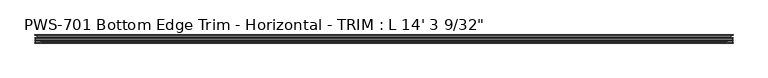
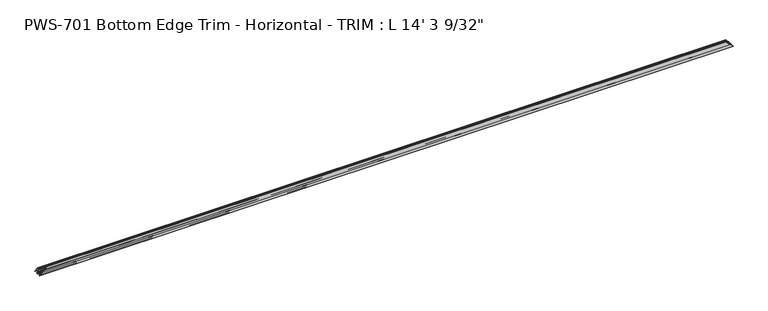
"""IFC4 building model written with IfcOpenShell, lengths in millimetres: proxy geometry."""

from ifc_helpers import new_model, si_unit, frame, origin, place, context, project, spatial, polyline, ellipse_curve, source, transform, mapped, element, save
from ifc_brep_helpers import plane_surface, cylinder_surface, revolved_surface, advanced_brep


def proxy_3ff2a4d9(model_context):
    return source(origin(), model_context, "Body", "AdvancedBrep", [
        advanced_brep(
        [(4333.08125, 15.875, 17.4625), (17.4625, 15.875, 17.4625), (15.875, 17.4625, 15.875), (4334.66875, 17.4625, 15.875), (6.35, 17.4625, 6.35), (4344.19375, 17.4625, 6.35), (4.7625, 15.875, 4.7625), (4345.78125, 15.875, 4.7625), (4.7625, 3.97002, 4.7625), (4345.78125, 3.97002, 4.7625), (6.35, 2.38252, 6.35), (4344.19375, 2.38252, 6.35), (19.05, 1.5875, 19.05), (4331.49375, 1.5875, 19.05), (41.275, 1.5875, 41.275), (4309.26875, 1.5875, 41.275), (42.8625, 3.175, 42.8625), (4307.68125, 3.175, 42.8625), (42.8625, 4.699, 42.8625), (4307.68125, 4.699, 42.8625), (40.0142401, 4.699, 40.0142401), (4310.5295099, 4.699, 40.0142401), (36.4914739, 8.6995, 36.4914739), (4314.0522761, 8.6995, 36.4914739), (40.0142401, 12.7, 40.0142401), (4310.5295099, 12.7, 40.0142401), (43.688, 12.7, 43.688), (4306.85575, 12.7, 43.688), (43.688, 10.3627194, 43.688), (4306.85575, 10.3627194, 43.688), (42.7502912, 10.2659469, 42.7502912), (4307.7934588, 10.2659469, 42.7502912), (42.7502912, 11.1125, 42.7502912), (4307.7934588, 11.1125, 42.7502912), (40.242076, 11.1125, 40.242076), (4310.301674, 11.1125, 40.242076), (38.1, 8.6995, 38.1), (4312.44375, 8.6995, 38.1), (40.242076, 6.2865, 40.242076), (4310.301674, 6.2865, 40.242076), (42.7502912, 6.2865, 42.7502912), (4307.7934588, 6.2865, 42.7502912), (42.7502912, 7.1755, 42.7502912), (4307.7934588, 7.1755, 42.7502912), (43.5416341, 7.1755, 43.5416341), (4307.0021159, 7.1755, 43.5416341), (44.45, 6.0569064, 44.45), (4306.09375, 6.0569064, 44.45), (44.45, 0.0, 44.45), (4306.09375, 0.0, 44.45), (0.0, 0.0, 0.0), (4350.54375, 0.0, 0.0), (0.0, 1.5875, 0.0), (4350.54375, 1.5875, 0.0), (1.5875, 1.5875, 1.5875), (4348.95625, 1.5875, 1.5875), (3.175, 3.175, 3.175), (4347.36875, 3.175, 3.175), (3.175, 15.875, 3.175), (4347.36875, 15.875, 3.175), (1.5875, 17.4625, 1.5875), (4348.95625, 17.4625, 1.5875), (0.0, 17.4625, 0.0), (4350.54375, 17.4625, 0.0), (0.0, 19.05, 0.0), (4350.54375, 19.05, 0.0), (1.5875, 19.05, 1.5875), (4348.95625, 19.05, 1.5875), (3.175, 20.6375, 3.175), (4347.36875, 20.6375, 3.175), (3.175, 30.1625, 3.175), (4347.36875, 30.1625, 3.175), (1.5875, 31.75, 1.5875), (4348.95625, 31.75, 1.5875), (0.0, 31.75, 0.0), (4350.54375, 31.75, 0.0), (0.0, 33.3375, 0.0), (4350.54375, 33.3375, 0.0), (12.7, 33.3375, 12.7), (4337.84375, 33.3375, 12.7), (14.2875, 34.925, 14.2875), (4336.25625, 34.925, 14.2875), (14.2875, 47.625, 14.2875), (4336.25625, 47.625, 14.2875), (12.7, 49.2125, 12.7), (4337.84375, 49.2125, 12.7), (0.0, 49.2125, 0.0), (4350.54375, 49.2125, 0.0), (0.0, 50.8, 0.0), (4350.54375, 50.8, 0.0), (17.907, 50.8, 17.907), (4332.63675, 50.8, 17.907), (17.907, 49.2125, 17.907), (4332.63675, 49.2125, 17.907), (15.875, 49.2125, 15.875), (4334.66875, 49.2125, 15.875), (15.875, 33.9725, 15.875), (4334.66875, 33.9725, 15.875), (17.4625, 33.9725, 17.4625), (4333.08125, 33.9725, 17.4625), (17.4625, 35.55873, 17.4625), (4333.08125, 35.55873, 17.4625), (18.25752, 36.35375, 18.25752), (4332.28623, 36.35375, 18.25752), (19.05, 36.35375, 19.05), (4331.49375, 36.35375, 19.05), (19.05, 31.75, 19.05), (4331.49375, 31.75, 19.05), (6.35, 31.75, 6.35), (4344.19375, 31.75, 6.35), (4.7625, 30.1625, 4.7625), (4345.78125, 30.1625, 4.7625), (4.7625, 20.6375, 4.7625), (4345.78125, 20.6375, 4.7625), (6.35, 19.05, 6.35), (4344.19375, 19.05, 6.35), (19.05, 19.05, 19.05), (4331.49375, 19.05, 19.05), (19.05, 15.875, 19.05), (4331.49375, 15.875, 19.05)],
        [
            (0, 1),
            (1, 2, ellipse_curve(frame((15.875, 15.875, 15.875), z_axis=(-0.707106781186547, 0.0, 0.7071067811865481), x_axis=(-0.7071067811865478, 0.0, -0.707106781186547)), 2.245064, 1.5875)),
            (2, 3),
            (3, 0, ellipse_curve(frame((4334.66875, 15.875, 15.875), z_axis=(0.7071067811865462, 0.0, 0.7071067811865489), x_axis=(-0.7071067811865487, 0.0, 0.7071067811865462)), 2.245064, 1.5875)),
            (2, 4),
            (4, 5),
            (5, 3),
            (4, 6, ellipse_curve(frame((6.35, 15.875, 6.35), z_axis=(-0.707106781186547, 0.0, 0.7071067811865481), x_axis=(-0.7071067811865478, 0.0, -0.707106781186547)), 2.245064, 1.5875)),
            (6, 7),
            (7, 5, ellipse_curve(frame((4344.19375, 15.875, 6.35), z_axis=(0.7071067811865462, 0.0, 0.7071067811865489), x_axis=(-0.7071067811865487, 0.0, 0.7071067811865462)), 2.245064, 1.5875)),
            (6, 8),
            (8, 9),
            (9, 7),
            (8, 10, ellipse_curve(frame((6.35, 3.97002, 6.35), z_axis=(-0.707106781186547, 0.0, 0.7071067811865481), x_axis=(-0.7071067811865478, 0.0, -0.707106781186547)), 2.245064, 1.5875)),
            (10, 11),
            (11, 9, ellipse_curve(frame((4344.19375, 3.97002, 6.35), z_axis=(0.7071067811865462, 0.0, 0.7071067811865489), x_axis=(-0.7071067811865487, 0.0, 0.7071067811865462)), 2.245064, 1.5875)),
            (10, 12),
            (12, 13),
            (13, 11),
            (12, 14),
            (14, 15),
            (15, 13),
            (14, 16, ellipse_curve(frame((41.275, 3.175, 41.275), z_axis=(-0.707106781186547, 0.0, 0.7071067811865481), x_axis=(-0.7071067811865478, 0.0, -0.707106781186547)), 2.245064, 1.5875)),
            (16, 17),
            (17, 15, ellipse_curve(frame((4309.26875, 3.175, 41.275), z_axis=(0.7071067811865462, 0.0, 0.7071067811865489), x_axis=(-0.7071067811865487, 0.0, 0.7071067811865462)), 2.245064, 1.5875)),
            (16, 18),
            (18, 19),
            (19, 17),
            (18, 20),
            (20, 21),
            (21, 19),
            (20, 22, ellipse_curve(frame((41.2410159, 9.3305673, 41.2410159), z_axis=(0.707106781186547, 0.0, -0.7071067811865481), x_axis=(0.7071067811865478, 0.0, 0.707106781186547)), 6.7758977, 4.7912832)),
            (22, 23),
            (23, 21, ellipse_curve(frame((4309.3027341, 9.3305673, 41.2410159), z_axis=(-0.7071067811865462, 0.0, -0.7071067811865489), x_axis=(0.7071067811865487, 0.0, -0.7071067811865462)), 6.7758977, 4.7912832)),
            (22, 24, ellipse_curve(frame((41.2410159, 8.0684327, 41.2410159), z_axis=(0.707106781186547, 0.0, -0.7071067811865481), x_axis=(0.7071067811865478, 0.0, 0.707106781186547)), 6.7758977, 4.7912832)),
            (24, 25),
            (25, 23, ellipse_curve(frame((4309.3027341, 8.0684327, 41.2410159), z_axis=(-0.7071067811865462, 0.0, -0.7071067811865489), x_axis=(0.7071067811865487, 0.0, -0.7071067811865462)), 6.7758977, 4.7912832)),
            (24, 26),
            (26, 27),
            (27, 25),
            (26, 28),
            (28, 29),
            (29, 27),
            (28, 30, ellipse_curve(frame((43.1148966, 11.3244879, 43.1148966), z_axis=(0.707106781186547, 0.0, -0.7071067811865481), x_axis=(0.7071067811865478, 0.0, 0.707106781186547)), 1.583317, 1.1195742)),
            (30, 31),
            (31, 29, ellipse_curve(frame((4307.4288534, 11.3244879, 43.1148966), z_axis=(-0.7071067811865462, 0.0, -0.7071067811865489), x_axis=(0.7071067811865487, 0.0, -0.7071067811865462)), 1.583317, 1.1195742)),
            (30, 32),
            (32, 33),
            (33, 31),
            (32, 34),
            (34, 35),
            (35, 33),
            (34, 36, ellipse_curve(frame((41.2410159, 8.0684327, 41.2410159), z_axis=(-0.707106781186547, 0.0, 0.7071067811865481), x_axis=(-0.7071067811865478, 0.0, -0.707106781186547)), 4.5308337, 3.2037832)),
            (36, 37),
            (37, 35, ellipse_curve(frame((4309.3027341, 8.0684327, 41.2410159), z_axis=(0.7071067811865462, 0.0, 0.7071067811865489), x_axis=(-0.7071067811865487, 0.0, 0.7071067811865462)), 4.5308337, 3.2037832)),
            (36, 38, ellipse_curve(frame((41.2410159, 9.3305673, 41.2410159), z_axis=(-0.707106781186547, 0.0, 0.7071067811865481), x_axis=(-0.7071067811865478, 0.0, -0.707106781186547)), 4.5308337, 3.2037832)),
            (38, 39),
            (39, 37, ellipse_curve(frame((4309.3027341, 9.3305673, 41.2410159), z_axis=(0.7071067811865462, 0.0, 0.7071067811865489), x_axis=(-0.7071067811865487, 0.0, 0.7071067811865462)), 4.5308337, 3.2037832)),
            (38, 40),
            (40, 41),
            (41, 39),
            (40, 42),
            (42, 43),
            (43, 41),
            (42, 44),
            (44, 45),
            (45, 43),
            (44, 46, ellipse_curve(frame((43.3070794, 6.0569064, 43.3070794), z_axis=(0.707106781186547, 0.0, -0.7071067811865481), x_axis=(0.7071067811865478, 0.0, 0.707106781186547)), 1.6163338, 1.1429206)),
            (46, 47),
            (47, 45, ellipse_curve(frame((4307.2366706, 6.0569064, 43.3070794), z_axis=(-0.7071067811865462, 0.0, -0.7071067811865489), x_axis=(0.7071067811865487, 0.0, -0.7071067811865462)), 1.6163338, 1.1429206)),
            (46, 48),
            (48, 49),
            (49, 47),
            (50, 51),
            (51, 49),
            (48, 50),
            (50, 52),
            (52, 53),
            (53, 51),
            (52, 54),
            (54, 55),
            (55, 53),
            (54, 56, ellipse_curve(frame((1.5875, 3.175, 1.5875), z_axis=(-0.707106781186547, 0.0, 0.7071067811865481), x_axis=(-0.7071067811865478, 0.0, -0.707106781186547)), 2.245064, 1.5875)),
            (56, 57),
            (57, 55, ellipse_curve(frame((4348.95625, 3.175, 1.5875), z_axis=(0.7071067811865462, 0.0, 0.7071067811865489), x_axis=(-0.7071067811865487, 0.0, 0.7071067811865462)), 2.245064, 1.5875)),
            (56, 58),
            (58, 59),
            (59, 57),
            (58, 60, ellipse_curve(frame((1.5875, 15.875, 1.5875), z_axis=(-0.707106781186547, 0.0, 0.7071067811865481), x_axis=(-0.7071067811865478, 0.0, -0.707106781186547)), 2.245064, 1.5875)),
            (60, 61),
            (61, 59, ellipse_curve(frame((4348.95625, 15.875, 1.5875), z_axis=(0.7071067811865462, 0.0, 0.7071067811865489), x_axis=(-0.7071067811865487, 0.0, 0.7071067811865462)), 2.245064, 1.5875)),
            (62, 63),
            (63, 61),
            (60, 62),
            (62, 64),
            (64, 65),
            (65, 63),
            (64, 66),
            (66, 67),
            (67, 65),
            (66, 68, ellipse_curve(frame((1.5875, 20.6375, 1.5875), z_axis=(-0.707106781186547, 0.0, 0.7071067811865481), x_axis=(-0.7071067811865478, 0.0, -0.707106781186547)), 2.245064, 1.5875)),
            (68, 69),
            (69, 67, ellipse_curve(frame((4348.95625, 20.6375, 1.5875), z_axis=(0.7071067811865462, 0.0, 0.7071067811865489), x_axis=(-0.7071067811865487, 0.0, 0.7071067811865462)), 2.245064, 1.5875)),
            (68, 70),
            (70, 71),
            (71, 69),
            (70, 72, ellipse_curve(frame((1.5875, 30.1625, 1.5875), z_axis=(-0.707106781186547, 0.0, 0.7071067811865481), x_axis=(-0.7071067811865478, 0.0, -0.707106781186547)), 2.245064, 1.5875)),
            (72, 73),
            (73, 71, ellipse_curve(frame((4348.95625, 30.1625, 1.5875), z_axis=(0.7071067811865462, 0.0, 0.7071067811865489), x_axis=(-0.7071067811865487, 0.0, 0.7071067811865462)), 2.245064, 1.5875)),
            (74, 75),
            (75, 73),
            (72, 74),
            (74, 76),
            (76, 77),
            (77, 75),
            (76, 78),
            (78, 79),
            (79, 77),
            (78, 80, ellipse_curve(frame((12.7, 34.925, 12.7), z_axis=(-0.707106781186547, 0.0, 0.7071067811865481), x_axis=(-0.7071067811865478, 0.0, -0.707106781186547)), 2.245064, 1.5875)),
            (80, 81),
            (81, 79, ellipse_curve(frame((4337.84375, 34.925, 12.7), z_axis=(0.7071067811865462, 0.0, 0.7071067811865489), x_axis=(-0.7071067811865487, 0.0, 0.7071067811865462)), 2.245064, 1.5875)),
            (80, 82),
            (82, 83),
            (83, 81),
            (82, 84, ellipse_curve(frame((12.7, 47.625, 12.7), z_axis=(-0.707106781186547, 0.0, 0.7071067811865481), x_axis=(-0.7071067811865478, 0.0, -0.707106781186547)), 2.245064, 1.5875)),
            (84, 85),
            (85, 83, ellipse_curve(frame((4337.84375, 47.625, 12.7), z_axis=(0.7071067811865462, 0.0, 0.7071067811865489), x_axis=(-0.7071067811865487, 0.0, 0.7071067811865462)), 2.245064, 1.5875)),
            (86, 87),
            (87, 85),
            (84, 86),
            (86, 88),
            (88, 89),
            (89, 87),
            (88, 90),
            (90, 91),
            (91, 89),
            (90, 92),
            (92, 93),
            (93, 91),
            (92, 94),
            (94, 95),
            (95, 93),
            (94, 96),
            (96, 97),
            (97, 95),
            (96, 98),
            (98, 99),
            (99, 97),
            (98, 100),
            (100, 101),
            (101, 99),
            (100, 102, ellipse_curve(frame((18.25752, 35.55873, 18.25752), z_axis=(0.707106781186547, 0.0, -0.7071067811865481), x_axis=(0.7071067811865478, 0.0, 0.707106781186547)), 1.1243281, 0.79502)),
            (102, 103),
            (103, 101, ellipse_curve(frame((4332.28623, 35.55873, 18.25752), z_axis=(-0.7071067811865462, 0.0, -0.7071067811865489), x_axis=(0.7071067811865487, 0.0, -0.7071067811865462)), 1.1243281, 0.79502)),
            (102, 104),
            (104, 105),
            (105, 103),
            (104, 106),
            (106, 107),
            (107, 105),
            (106, 108),
            (108, 109),
            (109, 107),
            (108, 110, ellipse_curve(frame((6.35, 30.1625, 6.35), z_axis=(-0.707106781186547, 0.0, 0.7071067811865481), x_axis=(-0.7071067811865478, 0.0, -0.707106781186547)), 2.245064, 1.5875)),
            (110, 111),
            (111, 109, ellipse_curve(frame((4344.19375, 30.1625, 6.35), z_axis=(0.7071067811865462, 0.0, 0.7071067811865489), x_axis=(-0.7071067811865487, 0.0, 0.7071067811865462)), 2.245064, 1.5875)),
            (110, 112),
            (112, 113),
            (113, 111),
            (112, 114, ellipse_curve(frame((6.35, 20.6375, 6.35), z_axis=(-0.707106781186547, 0.0, 0.7071067811865481), x_axis=(-0.7071067811865478, 0.0, -0.707106781186547)), 2.245064, 1.5875)),
            (114, 115),
            (115, 113, ellipse_curve(frame((4344.19375, 20.6375, 6.35), z_axis=(0.7071067811865462, 0.0, 0.7071067811865489), x_axis=(-0.7071067811865487, 0.0, 0.7071067811865462)), 2.245064, 1.5875)),
            (114, 116),
            (116, 117),
            (117, 115),
            (116, 118),
            (118, 119),
            (119, 117),
            (0, 119),
            (118, 1),
        ],
        [
            revolved_surface(polyline([(14.287500021402204, 15.875, 14.2875), (4336.256249978597, 15.875, 14.2875)]), (0.0, 15.875, 15.875), (-1.0, 0.0, 0.0)),
            plane_surface(frame((4350.54375, 17.4625, 15.875), z_axis=(0.0, -1.0, 0.0), x_axis=(-1.0, 0.0, 0.0))),
            revolved_surface(polyline([(4.7625, 15.875, 4.762499999999999), (4345.78125, 15.875, 4.762499999999999)]), (0.0, 15.875, 6.35), (-1.0, 0.0, 0.0)),
            plane_surface(frame((4350.54375, 15.875, 4.7625), z_axis=(0.0, 0.0, 1.0), x_axis=(-1.0, 0.0, 0.0))),
            revolved_surface(polyline([(4.7625, 3.97002, 4.762499999999999), (4345.78125, 3.97002, 4.762499999999999)]), (0.0, 3.97002, 6.35), (-1.0, 0.0, 0.0)),
            plane_surface(frame((4350.54375, 2.38252, 6.35), z_axis=(0.0, 0.9980463600132397, 0.06247770213702593), x_axis=(-1.0, 0.0, 0.0))),
            plane_surface(frame((4350.54375, 1.5875, 19.05), z_axis=(0.0, 1.0, 0.0), x_axis=(-1.0, 0.0, 0.0))),
            revolved_surface(polyline([(39.6875000214022, 3.175, 39.6875), (4310.856249978598, 3.175, 39.6875)]), (0.0, 3.175, 41.275), (-1.0, 0.0, 0.0)),
            plane_surface(frame((4350.54375, 3.175, 42.8625), z_axis=(0.0, 0.0, -1.0), x_axis=(-1.0, 0.0, 0.0))),
            plane_surface(frame((4350.54375, 4.699, 42.8625), z_axis=(0.0, -1.0, 0.0), x_axis=(-1.0, 0.0, 0.0))),
            cylinder_surface(frame((0.0, 9.3305673, 41.2410159), z_axis=(1.0, 0.0, 0.0), x_axis=(0.0, 0.0, -1.0)), 4.7912832),
            cylinder_surface(frame((0.0, 8.0684327, 41.2410159), z_axis=(1.0, 0.0, 0.0), x_axis=(0.0, 0.0, -1.0)), 4.7912832),
            plane_surface(frame((4350.54375, 12.7, 40.0142401), z_axis=(0.0, 1.0, 0.0), x_axis=(-1.0, 0.0, 0.0))),
            plane_surface(frame((4350.54375, 12.7, 43.688), z_axis=(0.0, 0.0, 1.0), x_axis=(-1.0, 0.0, 0.0))),
            cylinder_surface(frame((0.0, 11.3244879, 43.1148966), z_axis=(1.0, 0.0, 0.0), x_axis=(0.0, 0.0, -1.0)), 1.1195742),
            plane_surface(frame((4350.54375, 10.2659469, 42.7502912), z_axis=(0.0, 0.0, -1.0), x_axis=(-1.0, 0.0, 0.0))),
            plane_surface(frame((4350.54375, 11.1125, 42.7502912), z_axis=(0.0, -1.0, 0.0), x_axis=(-1.0, 0.0, 0.0))),
            revolved_surface(polyline([(38.03723266630146, 8.0684327, 38.037232700000004), (4312.506517333698, 8.0684327, 38.037232700000004)]), (0.0, 8.0684327, 41.2410159), (-1.0, 0.0, 0.0)),
            revolved_surface(polyline([(38.03723266630146, 9.3305673, 38.037232700000004), (4312.506517333698, 9.3305673, 38.037232700000004)]), (0.0, 9.3305673, 41.2410159), (-1.0, 0.0, 0.0)),
            plane_surface(frame((4350.54375, 6.2865, 40.242076), z_axis=(0.0, 1.0, 0.0), x_axis=(-1.0, 0.0, 0.0))),
            plane_surface(frame((4350.54375, 6.2865, 42.7502912), z_axis=(0.0, 0.0, -1.0), x_axis=(-1.0, 0.0, 0.0))),
            plane_surface(frame((4350.54375, 7.1755, 42.7502912), z_axis=(0.0, 1.0, 0.0), x_axis=(-1.0, 0.0, 0.0))),
            cylinder_surface(frame((0.0, 6.0569064, 43.3070794), z_axis=(1.0, 0.0, 0.0), x_axis=(0.0, 0.0, -1.0)), 1.1429206),
            plane_surface(frame((4350.54375, 6.0569064, 44.45), z_axis=(0.0, 0.0, 1.0), x_axis=(-1.0, 0.0, 0.0))),
            plane_surface(frame((4350.54375, 0.0, 44.45), z_axis=(0.0, -1.0, 0.0), x_axis=(-1.0, 0.0, 0.0))),
            plane_surface(frame((4350.54375, 0.0, 0.0), z_axis=(0.0, 0.0, -1.0), x_axis=(-1.0, 0.0, 0.0))),
            plane_surface(frame((4350.54375, 1.5875, 0.0), z_axis=(0.0, 1.0, 0.0), x_axis=(-1.0, 0.0, 0.0))),
            revolved_surface(polyline([(2.1402204009035586e-08, 3.175, 0.0), (4350.543749978598, 3.175, 0.0)]), (0.0, 3.175, 1.5875), (-1.0, 0.0, 0.0)),
            plane_surface(frame((4350.54375, 3.175, 3.175), z_axis=(0.0, 0.0, -1.0), x_axis=(-1.0, 0.0, 0.0))),
            revolved_surface(polyline([(2.1402204009035586e-08, 15.875, 0.0), (4350.543749978598, 15.875, 0.0)]), (0.0, 15.875, 1.5875), (-1.0, 0.0, 0.0)),
            plane_surface(frame((4350.54375, 17.4625, 1.5875), z_axis=(0.0, -1.0, 0.0), x_axis=(-1.0, 0.0, 0.0))),
            plane_surface(frame((4350.54375, 17.4625, 0.0), z_axis=(0.0, 0.0, -1.0), x_axis=(-1.0, 0.0, 0.0))),
            plane_surface(frame((4350.54375, 19.05, 0.0), z_axis=(0.0, 1.0, 0.0), x_axis=(-1.0, 0.0, 0.0))),
            revolved_surface(polyline([(2.1402204009035586e-08, 20.6375, 0.0), (4350.543749978598, 20.6375, 0.0)]), (0.0, 20.6375, 1.5875), (-1.0, 0.0, 0.0)),
            plane_surface(frame((4350.54375, 20.6375, 3.175), z_axis=(0.0, 0.0, -1.0), x_axis=(-1.0, 0.0, 0.0))),
            revolved_surface(polyline([(2.1402204009035586e-08, 30.1625, 0.0), (4350.543749978598, 30.1625, 0.0)]), (0.0, 30.1625, 1.5875), (-1.0, 0.0, 0.0)),
            plane_surface(frame((4350.54375, 31.75, 1.5875), z_axis=(0.0, -1.0, 0.0), x_axis=(-1.0, 0.0, 0.0))),
            plane_surface(frame((4350.54375, 31.75, 0.0), z_axis=(0.0, 0.0, -1.0), x_axis=(-1.0, 0.0, 0.0))),
            plane_surface(frame((4350.54375, 33.3375, 0.0), z_axis=(0.0, 1.0, 0.0), x_axis=(-1.0, 0.0, 0.0))),
            revolved_surface(polyline([(11.112500021402203, 34.925, 11.112499999999999), (4339.431249978597, 34.925, 11.112499999999999)]), (0.0, 34.925, 12.7), (-1.0, 0.0, 0.0)),
            plane_surface(frame((4350.54375, 34.925, 14.2875), z_axis=(0.0, 0.0, -1.0), x_axis=(-1.0, 0.0, 0.0))),
            revolved_surface(polyline([(11.112500021402203, 47.625, 11.112499999999999), (4339.431249978597, 47.625, 11.112499999999999)]), (0.0, 47.625, 12.7), (-1.0, 0.0, 0.0)),
            plane_surface(frame((4350.54375, 49.2125, 12.7), z_axis=(0.0, -1.0, 0.0), x_axis=(-1.0, 0.0, 0.0))),
            plane_surface(frame((4350.54375, 49.2125, 0.0), z_axis=(0.0, 0.0, -1.0), x_axis=(-1.0, 0.0, 0.0))),
            plane_surface(frame((4350.54375, 50.8, 0.0), z_axis=(0.0, 1.0, 0.0), x_axis=(-1.0, 0.0, 0.0))),
            plane_surface(frame((4350.54375, 50.8, 17.907), z_axis=(0.0, 0.0, 1.0), x_axis=(-1.0, 0.0, 0.0))),
            plane_surface(frame((4350.54375, 49.2125, 17.907), z_axis=(0.0, -1.0, 0.0), x_axis=(-1.0, 0.0, 0.0))),
            plane_surface(frame((4350.54375, 49.2125, 15.875), z_axis=(0.0, 0.0, 1.0), x_axis=(-1.0, 0.0, 0.0))),
            plane_surface(frame((4350.54375, 33.9725, 15.875), z_axis=(0.0, 1.0, 0.0), x_axis=(-1.0, 0.0, 0.0))),
            plane_surface(frame((4350.54375, 33.9725, 17.4625), z_axis=(0.0, 0.0, -1.0), x_axis=(-1.0, 0.0, 0.0))),
            cylinder_surface(frame((0.0, 35.55873, 18.25752), z_axis=(1.0, 0.0, 0.0), x_axis=(0.0, 0.0, -1.0)), 0.79502),
            plane_surface(frame((4350.54375, 36.35375, 18.25752), z_axis=(0.0, 1.0, 0.0), x_axis=(-1.0, 0.0, 0.0))),
            plane_surface(frame((4350.54375, 36.35375, 19.05), z_axis=(0.0, 0.0, 1.0), x_axis=(-1.0, 0.0, 0.0))),
            plane_surface(frame((4350.54375, 31.75, 19.05), z_axis=(0.0, -1.0, 0.0), x_axis=(-1.0, 0.0, 0.0))),
            revolved_surface(polyline([(4.7625, 30.1625, 4.762499999999999), (4345.78125, 30.1625, 4.762499999999999)]), (0.0, 30.1625, 6.35), (-1.0, 0.0, 0.0)),
            plane_surface(frame((4350.54375, 30.1625, 4.7625), z_axis=(0.0, 0.0, 1.0), x_axis=(-1.0, 0.0, 0.0))),
            revolved_surface(polyline([(4.7625, 20.6375, 4.762499999999999), (4345.78125, 20.6375, 4.762499999999999)]), (0.0, 20.6375, 6.35), (-1.0, 0.0, 0.0)),
            plane_surface(frame((4350.54375, 19.05, 6.35), z_axis=(0.0, 1.0, 0.0), x_axis=(-1.0, 0.0, 0.0))),
            plane_surface(frame((4350.54375, 19.05, 19.05), z_axis=(0.0, 0.0, 1.0), x_axis=(-1.0, 0.0, 0.0))),
            plane_surface(frame((4350.54375, 15.875, 19.05), z_axis=(0.0, -1.0, 0.0), x_axis=(-1.0, 0.0, 0.0))),
            plane_surface(frame((0.0, 0.0, 0.0), z_axis=(-0.707106781186547, 0.0, 0.7071067811865481), x_axis=(0.0, 1.0, 0.0))),
            plane_surface(frame((4306.09375, 0.0, 44.45), z_axis=(0.7071067811865462, 0.0, 0.7071067811865489), x_axis=(0.0, 1.0, 0.0))),
        ],
        [
            (0, [[1, 2, 3, 4]]),
            (1, [[-3, 5, 6, 7]]),
            (2, [[-6, 8, 9, 10]]),
            (3, [[-9, 11, 12, 13]]),
            (4, [[-12, 14, 15, 16]]),
            (5, [[-15, 17, 18, 19]]),
            (6, [[-18, 20, 21, 22]]),
            (7, [[-21, 23, 24, 25]]),
            (8, [[-24, 26, 27, 28]]),
            (9, [[-27, 29, 30, 31]]),
            (10, [[-30, 32, 33, 34]]),
            (11, [[-33, 35, 36, 37]]),
            (12, [[-36, 38, 39, 40]]),
            (13, [[-39, 41, 42, 43]]),
            (14, [[-42, 44, 45, 46]]),
            (15, [[-45, 47, 48, 49]]),
            (16, [[-48, 50, 51, 52]]),
            (17, [[-51, 53, 54, 55]]),
            (18, [[-54, 56, 57, 58]]),
            (19, [[-57, 59, 60, 61]]),
            (20, [[-60, 62, 63, 64]]),
            (21, [[-63, 65, 66, 67]]),
            (22, [[-66, 68, 69, 70]]),
            (23, [[-69, 71, 72, 73]]),
            (24, [[74, 75, -72, 76]]),
            (25, [[-74, 77, 78, 79]]),
            (26, [[-78, 80, 81, 82]]),
            (27, [[-81, 83, 84, 85]]),
            (28, [[-84, 86, 87, 88]]),
            (29, [[-87, 89, 90, 91]]),
            (30, [[92, 93, -90, 94]]),
            (31, [[-92, 95, 96, 97]]),
            (32, [[-96, 98, 99, 100]]),
            (33, [[-99, 101, 102, 103]]),
            (34, [[-102, 104, 105, 106]]),
            (35, [[-105, 107, 108, 109]]),
            (36, [[110, 111, -108, 112]]),
            (37, [[-110, 113, 114, 115]]),
            (38, [[-114, 116, 117, 118]]),
            (39, [[-117, 119, 120, 121]]),
            (40, [[-120, 122, 123, 124]]),
            (41, [[-123, 125, 126, 127]]),
            (42, [[128, 129, -126, 130]]),
            (43, [[-128, 131, 132, 133]]),
            (44, [[-132, 134, 135, 136]]),
            (45, [[-135, 137, 138, 139]]),
            (46, [[-138, 140, 141, 142]]),
            (47, [[-141, 143, 144, 145]]),
            (48, [[-144, 146, 147, 148]]),
            (49, [[-147, 149, 150, 151]]),
            (50, [[-150, 152, 153, 154]]),
            (51, [[-153, 155, 156, 157]]),
            (52, [[-156, 158, 159, 160]]),
            (53, [[-159, 161, 162, 163]]),
            (54, [[-162, 164, 165, 166]]),
            (55, [[-165, 167, 168, 169]]),
            (56, [[-168, 170, 171, 172]]),
            (57, [[-171, 173, 174, 175]]),
            (58, [[-174, 176, 177, 178]]),
            (59, [[-1, 179, -177, 180]]),
            (60, [[-2, -180, -176, -173, -170, -167, -164, -161, -158, -155, -152, -149, -146, -143, -140, -137, -134, -131, -130, -125, -122, -119, -116, -113, -112, -107, -104, -101, -98, -95, -94, -89, -86, -83, -80, -77, -76, -71, -68, -65, -62, -59, -56, -53, -50, -47, -44, -41, -38, -35, -32, -29, -26, -23, -20, -17, -14, -11, -8, -5]]),
            (61, [[-4, -7, -10, -13, -16, -19, -22, -25, -28, -31, -34, -37, -40, -43, -46, -49, -52, -55, -58, -61, -64, -67, -70, -73, -75, -79, -82, -85, -88, -91, -93, -97, -100, -103, -106, -109, -111, -115, -118, -121, -124, -127, -129, -133, -136, -139, -142, -145, -148, -151, -154, -157, -160, -163, -166, -169, -172, -175, -178, -179]]),
        ],
    ),
    ])


if __name__ == "__main__":
    model = new_model("IFC4")
    model_context = context("Model", 3, world=origin())
    ifc_project = project(units=[si_unit("LENGTHUNIT", "METRE", prefix="MILLI")], contexts=[model_context])
    site = spatial("IfcSite", under=ifc_project)
    building = spatial("IfcBuilding", under=site)
    placement = place(None, origin())
    proxy_shape = proxy_3ff2a4d9(model_context)
    element("IfcBuildingElementProxy", 1, Name="PWS-701 Bottom Edge Trim - Horizontal - TRIM : L 14' 3 9/32\"", ObjectType="PWS-701 Bottom Edge Trim - Horizontal - TRIM : L 14' 3 9/32\"", at=placement, inside=building, context=model_context, shape_type="MappedRepresentation", body=[
        mapped(proxy_shape, transform((0.0, 0.0, 0.0), x_axis=(1.0, 0.0, 0.0), y_axis=(0.0, 1.0, 0.0), z_axis=(0.0, 0.0, 1.0))),
    ])
    save(model, "model.ifc")
